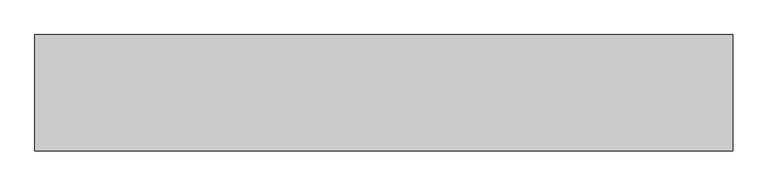
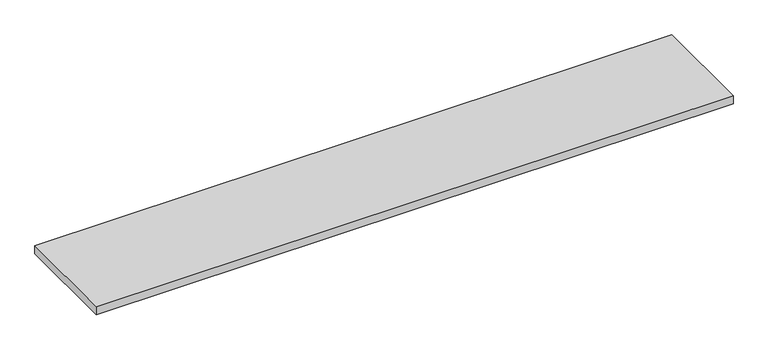
"""IFC4 building model written with IfcOpenShell, lengths in millimetres: furniture geometry."""

from ifc_helpers import new_model, si_unit, frame, origin, place, context, project, spatial, polyline, outline, extrude, source, transform, mapped, element, save


def furniture_60197ed6(model_context):
    return source(origin(), model_context, "Body", "SweptSolid", [
        extrude(outline(polyline([(2743.2, 0.0), (2743.2, -457.1998201), (0.0, -457.1998201), (0.0, 0.0), (2743.2, 0.0)])), frame((0.0, 0.0, 697.738), z_axis=(0.0, 0.0, 1.0), x_axis=(1.0, 0.0, 0.0)), (0.0, 0.0, 1.0), 36.3449586),
    ])


if __name__ == "__main__":
    model = new_model("IFC4")
    model_context = context("Model", 3, world=origin())
    ifc_project = project(units=[si_unit("LENGTHUNIT", "METRE", prefix="MILLI")], contexts=[model_context])
    site = spatial("IfcSite", under=ifc_project)
    building = spatial("IfcBuilding", under=site)
    placement = place(None, origin())
    furniture_shape = furniture_60197ed6(model_context)
    element("IfcFurniture", 1, at=placement, inside=building, context=model_context, shape_type="MappedRepresentation", body=[
        mapped(furniture_shape, transform((0.0, 0.0, 0.0), x_axis=(1.0, 0.0, 0.0), y_axis=(0.0, 1.0, 0.0), z_axis=(0.0, 0.0, 1.0))),
    ])
    save(model, "model.ifc")
